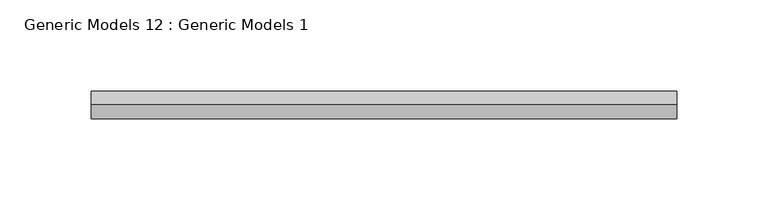
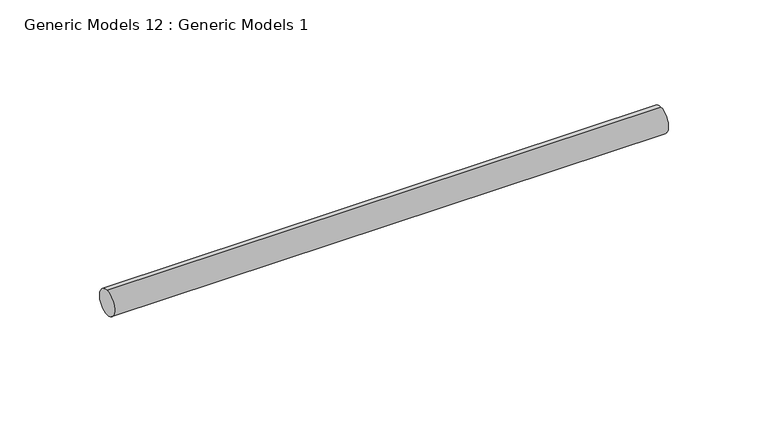
"""IFC4 building model written with IfcOpenShell, lengths in millimetres: proxy geometry, Generic Models 12 : Generic Models 1."""

from ifc_helpers import new_model, si_unit, point, frame, frame_2d, origin, place, context, project, spatial, circle_curve, trimmed, segment, composite_curve, outline, extrude, source, transform, mapped, element, save


def generic_models_12_generic_models_1_022dcd43(model_context):
    return source(origin(), model_context, "Body", "SweptSolid", [
        extrude(outline(composite_curve([segment(trimmed(circle_curve(frame_2d((400.3057469, -818.1141294)), 7.5), [point((400.3057469, -825.6141294))], [point((400.3057469, -810.6141294))], False, "CARTESIAN"), True, "CONTINUOUS"), segment(trimmed(circle_curve(frame_2d((400.3057469, -818.1141294)), 7.5), [point((400.3057469, -810.6141294))], [point((400.3057469, -825.6141294))], False, "CARTESIAN"), True, "CONTINUOUS")], self_intersect=False)), frame((1681.0795255, 0.0, 0.0), z_axis=(1.0, 0.0, 0.0), x_axis=(0.0, 1.0, 0.0)), (0.0, 0.0, 1.0), 321.0),
    ])


if __name__ == "__main__":
    model = new_model("IFC4")
    model_context = context("Model", 3, world=origin())
    ifc_project = project(units=[si_unit("LENGTHUNIT", "METRE", prefix="MILLI")], contexts=[model_context])
    site = spatial("IfcSite", under=ifc_project)
    building = spatial("IfcBuilding", under=site)
    placement = place(None, origin())
    generic_models_12_generic_models_1_shape = generic_models_12_generic_models_1_022dcd43(model_context)
    element("IfcBuildingElementProxy", 1, Name="Generic Models 12 : Generic Models 1", ObjectType="Generic Models 12 : Generic Models 1", at=placement, inside=building, context=model_context, shape_type="MappedRepresentation", body=[
        mapped(generic_models_12_generic_models_1_shape, transform((0.0, 0.0, 0.0), x_axis=(1.0, 0.0, 0.0), y_axis=(0.0, 1.0, 0.0), z_axis=(0.0, 0.0, 1.0))),
    ])
    save(model, "model.ifc")
